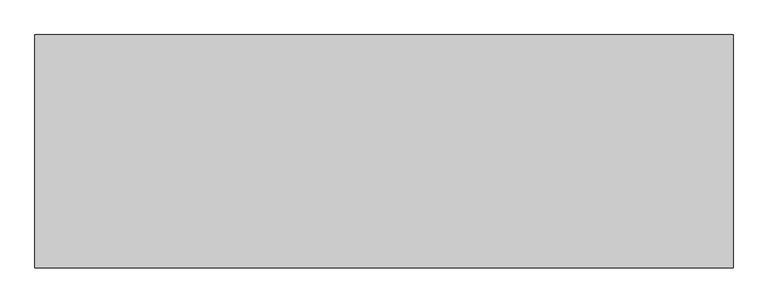
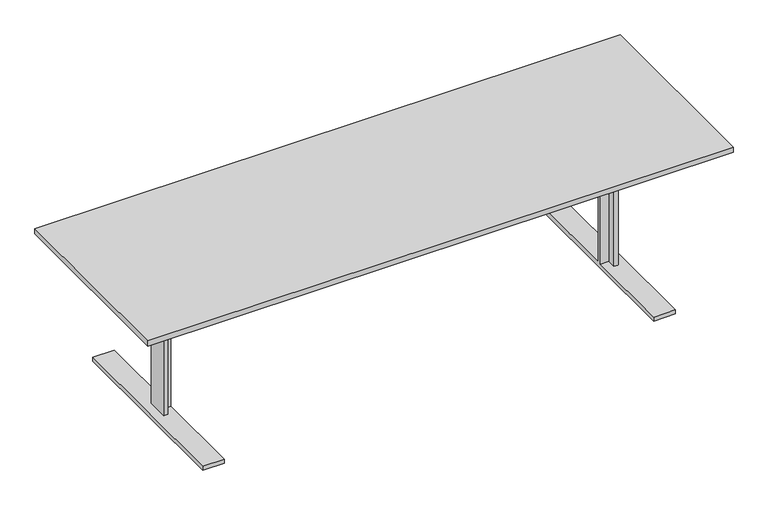
"""IFC4 building model written with IfcOpenShell, lengths in millimetres: furniture geometry."""

import ifcopenshell
import ifcopenshell.guid

model = None  # the IFC model being written
_history = None  # IfcOwnerHistory: only IFC2X3 demands one
_inside = {}  # id of a spatial element -> (the spatial element, [elements in it])
_under = {}  # id of a project, library or spatial element -> (it, [spatial elements below it])
_declared = {}  # id of a project -> (the project, [libraries it declares])
_typed = {}  # id of a type object -> (the type object, [elements of that type])
_made_of = {}  # id of a material, layer set ... -> (it, [elements and type objects made of it])


def new_model(schema):
    """Start an empty IFC model of exactly this schema.

    Asked for "IFC4X3", IfcOpenShell would pick the latest addendum, in which some entities
    have other attributes; the version numbers below select the first issue.
    IFC2X3 requires an IfcOwnerHistory on every rooted entity: one is made here for all.
    """
    global model, _history
    if schema == "IFC4X3":
        model = ifcopenshell.file(schema_version=(4, 3, 0, 0))
    else:
        model = ifcopenshell.file(schema=schema)
    _inside.clear()
    _under.clear()
    _declared.clear()
    _typed.clear()
    _made_of.clear()
    _history = None
    if model.schema == "IFC2X3":
        org = make("IfcOrganization", Name="unknown")
        user = make(
            "IfcPersonAndOrganization",
            ThePerson=make("IfcPerson", FamilyName="unknown"),
            TheOrganization=org,
        )
        app = make(
            "IfcApplication",
            ApplicationDeveloper=org,
            Version="unknown",
            ApplicationFullName="unknown",
            ApplicationIdentifier="unknown",
        )
        _history = make(
            "IfcOwnerHistory",
            OwningUser=user,
            OwningApplication=app,
            ChangeAction="ADDED",
            CreationDate=0,
        )
    return model


def make(cls, **values):
    """One entity of the class cls with the attributes given. An attribute that is None is left unset."""
    return model.create_entity(
        cls, **{name: value for name, value in values.items() if value is not None}
    )


def rooted(cls, **values):
    """An entity with a GlobalId (a new one), such as an element, a storey or a relation."""
    return make(cls, GlobalId=ifcopenshell.guid.new(), OwnerHistory=_history, **values)


def si_unit(unit_type, name, prefix=None):
    """IfcSIUnit, for example si_unit("LENGTHUNIT", "METRE", prefix="MILLI")."""
    return make("IfcSIUnit", UnitType=unit_type, Prefix=prefix, Name=name)


def assignment(units):
    """IfcUnitAssignment: the units of a project."""
    return None if units is None else make("IfcUnitAssignment", Units=units)


def point(xyz):
    """IfcCartesianPoint."""
    return None if xyz is None else make("IfcCartesianPoint", Coordinates=xyz)


def direction(xyz):
    """IfcDirection."""
    return None if xyz is None else make("IfcDirection", DirectionRatios=xyz)


def frame(location, z_axis=None, x_axis=None):
    """IfcAxis2Placement3D, a coordinate frame: its origin and axes. An axis left out is left unset."""
    return make(
        "IfcAxis2Placement3D",
        Location=point(location),
        Axis=direction(z_axis),
        RefDirection=direction(x_axis),
    )


def origin():
    """The frame at (0, 0, 0) with its axes left unset."""
    return frame((0.0, 0.0, 0.0))


def place(relative_to, where):
    """IfcLocalPlacement: puts the frame where relative to a parent placement (None: the world)."""
    return make(
        "IfcLocalPlacement", PlacementRelTo=relative_to, RelativePlacement=where
    )


def context(
    kind, dimensions, precision=None, world=None, true_north=None, identifier=None
):
    """IfcGeometricRepresentationContext, for example the 3D "Model" context."""
    return make(
        "IfcGeometricRepresentationContext",
        ContextIdentifier=identifier,
        ContextType=kind,
        CoordinateSpaceDimension=dimensions,
        Precision=precision,
        WorldCoordinateSystem=world,
        TrueNorth=true_north,
    )


def project(units=None, contexts=None):
    """IfcProject with its units and contexts."""
    return rooted(
        "IfcProject",
        Name="project",
        RepresentationContexts=contexts,
        UnitsInContext=assignment(units),
    )


def spatial(cls, under=None, at=None, **own):
    """A site, building, storey or space (cls), placed at a placement, below another one or the project."""
    s = rooted(cls, ObjectPlacement=at, **own)
    if under is not None:
        _under.setdefault(under.id(), (under, []))[1].append(s)
    return s


def polyline(points):
    """IfcPolyline through the points."""
    return make("IfcPolyline", Points=[point(p) for p in points])


def outline(outer, holes=None, kind="AREA"):
    """IfcArbitraryClosedProfileDef: a profile drawn as a closed curve; with holes, ...WithVoids."""
    if holes is None:
        return make("IfcArbitraryClosedProfileDef", ProfileType=kind, OuterCurve=outer)
    return make(
        "IfcArbitraryProfileDefWithVoids",
        ProfileType=kind,
        OuterCurve=outer,
        InnerCurves=holes,
    )


def extrude(swept, where, along, depth):
    """IfcExtrudedAreaSolid: the profile swept, set in the frame where, extruded along a direction by depth."""
    return make(
        "IfcExtrudedAreaSolid",
        SweptArea=swept,
        Position=where,
        ExtrudedDirection=direction(along),
        Depth=depth,
    )


def faces_of(points, faces, orient=None, outer=None):
    """IfcFace entities. A face is a list of loops; a loop is a list of indices into points, from 0.

    orient and outer hold one flag for each loop. By default every Orientation is true, the
    first loop of a face is its IfcFaceOuterBound and the others are IfcFaceBound.
    """
    made = []
    for i, loops in enumerate(faces):
        bounds = []
        for j, loop in enumerate(loops):
            is_outer = j == 0 if outer is None else outer[i][j]
            bounds.append(
                make(
                    "IfcFaceOuterBound" if is_outer else "IfcFaceBound",
                    Bound=make("IfcPolyLoop", Polygon=[points[k] for k in loop]),
                    Orientation=True if orient is None else orient[i][j],
                )
            )
        made.append(make("IfcFace", Bounds=bounds))
    return made


def faceted_brep(points, faces, orient=None, outer=None, voids=None):
    """IfcFacetedBrep: a solid bounded by flat faces; with voids (closed shells), ...WithVoids."""
    shared = [point(p) for p in points]
    hull = make("IfcClosedShell", CfsFaces=faces_of(shared, faces, orient, outer))
    if voids is None:
        return make("IfcFacetedBrep", Outer=hull)
    return make(
        "IfcFacetedBrepWithVoids",
        Outer=hull,
        Voids=[
            make(cls, CfsFaces=faces_of(shared, fs, o, b)) for cls, fs, o, b in voids
        ],
    )


def shape(context_of_items, identifier, shape_type, items):
    """IfcShapeRepresentation: the items that make up one representation, for example the "Body"."""
    return make(
        "IfcShapeRepresentation",
        ContextOfItems=context_of_items,
        RepresentationIdentifier=identifier,
        RepresentationType=shape_type,
        Items=items,
    )


def source(mapping_origin, context_of_items, identifier, shape_type, items):
    """IfcRepresentationMap: a shape defined once, which mapped items show again and again."""
    return make(
        "IfcRepresentationMap",
        MappingOrigin=mapping_origin,
        MappedRepresentation=shape(context_of_items, identifier, shape_type, items),
    )


def transform(
    local_origin,
    x_axis=None,
    y_axis=None,
    z_axis=None,
    scale=None,
    scale2=None,
    scale3=None,
    uniform=True,
):
    """IfcCartesianTransformationOperator3D, or its non-uniform kind. x_axis, y_axis, z_axis: its Axis1, 2, 3."""
    if uniform:
        return make(
            "IfcCartesianTransformationOperator3D",
            Axis1=direction(x_axis),
            Axis2=direction(y_axis),
            LocalOrigin=point(local_origin),
            Scale=scale,
            Axis3=direction(z_axis),
        )
    return make(
        "IfcCartesianTransformationOperator3DnonUniform",
        Axis1=direction(x_axis),
        Axis2=direction(y_axis),
        LocalOrigin=point(local_origin),
        Scale=scale,
        Axis3=direction(z_axis),
        Scale2=scale2,
        Scale3=scale3,
    )


def mapped(mapping_source, mapping_target):
    """IfcMappedItem: shows the shape of a source again, moved by a transform."""
    return make(
        "IfcMappedItem", MappingSource=mapping_source, MappingTarget=mapping_target
    )


def made_of(thing, what):
    """Note that an element or type object is made of a material, layer set ...; save() writes the relation."""
    if what is not None:
        _made_of.setdefault(what.id(), (what, []))[1].append(thing)
    return thing


def element(
    cls,
    number,
    at=None,
    inside=None,
    cuts=None,
    type_object=None,
    material=None,
    context=None,
    identifier="Body",
    shape_type=None,
    held_by="IfcProductDefinitionShape",
    body=None,
    shapes=None,
    **own,
):
    """One element of the class cls, such as IfcWall. Its Tag is "e" and its number.

    at: its placement. inside: the storey or other place that contains it. cuts: it is an
    opening in that element (IfcRelVoidsElement). A single representation is given by context,
    identifier, shape_type and body (its items); several are given by shapes. held_by: the class
    of the entity that holds the representations. save() writes the other relations.
    """
    e = rooted(cls, Tag="e%d" % number, ObjectPlacement=at, **own)
    if body is not None:
        shapes = [shape(context, identifier, shape_type, body)]
    if shapes is not None:
        e.Representation = make(held_by, Representations=shapes)
    if inside is not None:
        _inside.setdefault(inside.id(), (inside, []))[1].append(e)
    if cuts is not None:
        rooted(
            "IfcRelVoidsElement", RelatingBuildingElement=cuts, RelatedOpeningElement=e
        )
    if type_object is not None:
        _typed.setdefault(type_object.id(), (type_object, []))[1].append(e)
    return made_of(e, material)


def aggregate(whole, parts):
    """IfcRelAggregates: a whole, such as a stair, and the parts it consists of."""
    return rooted("IfcRelAggregates", RelatingObject=whole, RelatedObjects=parts)


def save(model, path):
    """Write the relations noted so far, then the file.

    IfcRelAggregates (storeys below a building ...), IfcRelContainedInSpatialStructure (elements
    in a storey), IfcRelDefinesByType, IfcRelAssociatesMaterial and IfcRelDeclares: one each for
    every whole, place, type object, material and project.
    """
    for whole, parts in _under.values():
        aggregate(whole, parts)
    for where, things in _inside.values():
        rooted(
            "IfcRelContainedInSpatialStructure",
            RelatedElements=things,
            RelatingStructure=where,
        )
    for kind, things in _typed.values():
        rooted("IfcRelDefinesByType", RelatedObjects=things, RelatingType=kind)
    for what, things in _made_of.values():
        rooted("IfcRelAssociatesMaterial", RelatedObjects=things, RelatingMaterial=what)
    for by, libraries in _declared.values():
        rooted("IfcRelDeclares", RelatingContext=by, RelatedDefinitions=libraries)
    model.write(path)


def furniture_9b6abd99(model_context):
    return source(origin(), model_context, "Body", "SolidModel", [
        faceted_brep([(-1047.75, -58.3440633, 705.246875), (-1028.7, -58.3440633, 705.246875), (-1028.7, -17.844006, 705.246875), (1028.7, -17.844006, 705.246875), (1028.7, -58.3440633, 705.246875), (1047.75, -58.3440633, 705.246875), (1047.75, 39.661101, 705.246875), (1028.7, 39.661101, 705.246875), (1028.7, 1.4584592, 705.246875), (-1028.7, 1.4584592, 705.246875), (-1028.7, 39.661101, 705.246875), (-1047.75, 39.661101, 705.246875), (-1047.75, -58.3440633, 19.8859728), (-1028.7, -58.3440633, 19.8859728), (-1028.7, -17.844006, 19.8859728), (-990.2499487, -17.844006, 590.946875), (990.2499487, -17.844006, 590.946875), (990.2499487, -17.844006, 19.8859728), (1028.7, -17.844006, 19.8859728), (-990.2499487, -17.844006, 19.8859728), (-990.2499487, 1.4584592, 590.946875), (-990.2499487, -442.1799408, 19.8859728), (-990.2499487, -442.1799408, 0.0), (-990.2499487, 434.1200592, 0.0), (-990.2499487, 434.1200592, 19.8859728), (-990.2499487, 1.4584592, 19.8859728), (990.2499487, 1.4584592, 590.946875), (-1028.7, 1.4584592, 19.8859728), (1028.7, 1.4584592, 19.8859728), (990.2499487, 1.4584592, 19.8859728), (-1028.7, 39.661101, 19.8859728), (-1047.75, 39.661101, 19.8859728), (1028.7, -58.3440633, 19.8859728), (1047.75, -58.3440633, 19.8859728), (990.2499487, 434.1200592, 19.8859728), (990.2499487, 434.1200592, 0.0), (990.2499487, -442.1799408, 0.0), (990.2499487, -442.1799408, 19.8859728), (1028.7, 39.661101, 19.8859728), (1047.75, 39.661101, 19.8859728), (-1089.2500105, 434.1200592, 19.8859728), (-1089.2500105, -442.1799408, 19.8859728), (-1089.2500105, -442.1799408, 0.0), (-1089.2500105, 434.1200592, 0.0), (1089.2500105, -442.1799408, 19.8859728), (1089.2500105, 434.1200592, 19.8859728), (1089.2500105, 434.1200592, 0.0), (1089.2500105, -442.1799408, 0.0)], [[[0, 1, 2, 3, 4, 5, 6, 7, 8, 9, 10, 11]], [[1, 0, 12, 13]], [[2, 1, 13, 14]], [[15, 16, 17, 18, 3, 2, 14, 19]], [[20, 15, 19, 21, 22, 23, 24, 25]], [[26, 20, 25, 27, 9, 8, 28, 29]], [[10, 9, 27, 30]], [[11, 10, 30, 31]], [[0, 11, 31, 12]], [[20, 26, 16, 15]], [[5, 4, 32, 33]], [[4, 3, 18, 32]], [[26, 29, 34, 35, 36, 37, 17, 16]], [[8, 7, 38, 28]], [[7, 6, 39, 38]], [[6, 5, 33, 39]], [[24, 40, 41, 21, 19, 14, 13, 12, 31, 30, 27, 25]], [[23, 22, 42, 43]], [[40, 24, 23, 43]], [[41, 40, 43, 42]], [[21, 41, 42, 22]], [[37, 44, 45, 34, 29, 28, 38, 39, 33, 32, 18, 17]], [[35, 46, 47, 36]], [[34, 45, 46, 35]], [[45, 44, 47, 46]], [[44, 37, 36, 47]]]),
        extrude(outline(polyline([(1349.375, 446.8200592), (1349.375, -454.8799408), (-1349.375, -454.8799408), (-1349.375, 446.8200592), (1349.375, 446.8200592)])), frame((0.0, 0.0, 705.246875), z_axis=(0.0, 0.0, 1.0), x_axis=(1.0, 0.0, 0.0)), (0.0, 0.0, 1.0), 25.003125),
    ])


if __name__ == "__main__":
    model = new_model("IFC4")
    model_context = context("Model", 3, world=origin())
    ifc_project = project(units=[si_unit("LENGTHUNIT", "METRE", prefix="MILLI")], contexts=[model_context])
    site = spatial("IfcSite", under=ifc_project)
    building = spatial("IfcBuilding", under=site)
    placement = place(None, origin())
    furniture_shape = furniture_9b6abd99(model_context)
    element("IfcFurniture", 1, at=placement, inside=building, context=model_context, shape_type="MappedRepresentation", body=[
        mapped(furniture_shape, transform((0.0, 0.0, 0.0), x_axis=(1.0, 0.0, 0.0), y_axis=(0.0, 1.0, 0.0), z_axis=(0.0, 0.0, 1.0))),
    ])
    save(model, "model.ifc")
